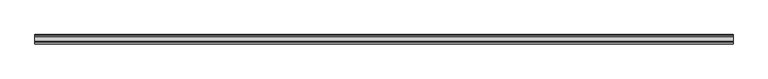
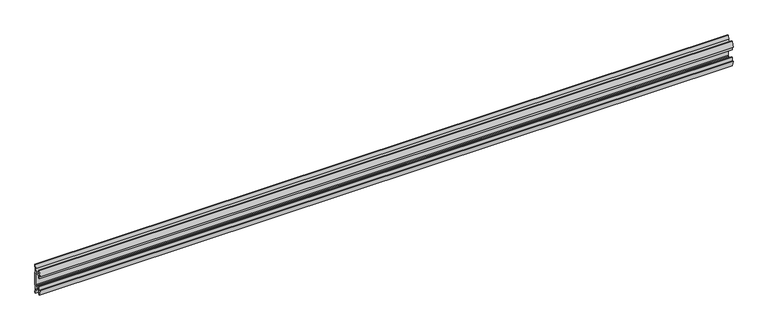
"""IFC4 building model written with IfcOpenShell, lengths in millimetres: furniture geometry."""

from ifc_helpers import new_model, si_unit, point, frame, frame_2d, origin, place, context, project, spatial, polyline, circle_curve, trimmed, segment, composite_curve, outline, extrude, source, transform, mapped, element, save


def furniture_731262ed(model_context):
    return source(origin(), model_context, "Body", "SweptSolid", [
        extrude(outline(composite_curve([segment(polyline([(11.858323, 875.9865986), (10.7166987, 870.0271626)]), True, "CONTINUOUS"), segment(trimmed(circle_curve(frame_2d((88.1501042, 855.193568)), 78.8414093), [point((10.7166987, 870.0271626))], [point((9.4546262, 859.9883112))], True, "CARTESIAN"), True, "CONTINUOUS"), segment(polyline([(9.4546262, 859.9883112), (11.4773198, 857.9656177), (11.4773198, 825.0383823), (9.4546262, 823.0156888)]), True, "CONTINUOUS"), segment(trimmed(circle_curve(frame_2d((88.1501042, 827.810432)), 78.8414093), [point((9.4546262, 823.0156888))], [point((10.7166987, 812.9768374))], True, "CARTESIAN"), True, "CONTINUOUS"), segment(polyline([(10.7166987, 812.9768374), (11.858323, 807.0174014), (11.858323, 803.4026449), (9.3183016, 803.4026449), (7.5671861, 812.543709), (6.9977776, 819.2374675), (-5.9218281, 819.2374675), (-5.9218281, 808.6725449), (-8.4618484, 808.6725449), (-11.7914971, 822.1810462), (-8.4618484, 821.1821511), (-8.4618484, 830.7072306), (-5.9218281, 830.7072306), (-5.9218281, 821.817155), (6.7782802, 821.817155), (6.7782802, 824.371689), (8.8976323, 826.2140136), (8.8976323, 856.7930348), (6.7782802, 858.6474685), (-5.2868484, 858.6474685), (-5.2868484, 852.2974144), (-8.4618484, 852.2974144), (-8.4618484, 861.8224939), (-11.858323, 860.5524837), (-8.4618484, 874.3321), (-5.2868484, 874.3321), (-5.2868484, 861.1874899), (6.7782802, 861.1874899), (7.5671861, 870.4615809), (9.3183016, 879.6026449), (11.858323, 879.6026449), (11.858323, 875.9865986)]), True, "CONTINUOUS")], self_intersect=False)), frame((-889.0, 0.0, 0.0), z_axis=(1.0, 0.0, 0.0), x_axis=(0.0, 1.0, 0.0)), (0.0, 0.0, 1.0), 1778.0),
    ])


if __name__ == "__main__":
    model = new_model("IFC4")
    model_context = context("Model", 3, world=origin())
    ifc_project = project(units=[si_unit("LENGTHUNIT", "METRE", prefix="MILLI")], contexts=[model_context])
    site = spatial("IfcSite", under=ifc_project)
    building = spatial("IfcBuilding", under=site)
    placement = place(None, origin())
    furniture_shape = furniture_731262ed(model_context)
    element("IfcFurniture", 1, at=placement, inside=building, context=model_context, shape_type="MappedRepresentation", body=[
        mapped(furniture_shape, transform((0.0, 0.0, 0.0), x_axis=(1.0, 0.0, 0.0), y_axis=(0.0, 1.0, 0.0), z_axis=(0.0, 0.0, 1.0))),
    ])
    save(model, "model.ifc")
